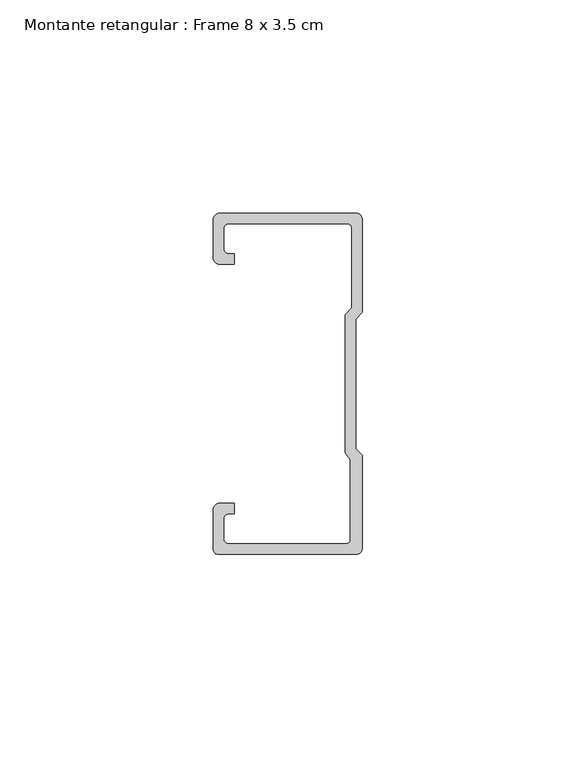
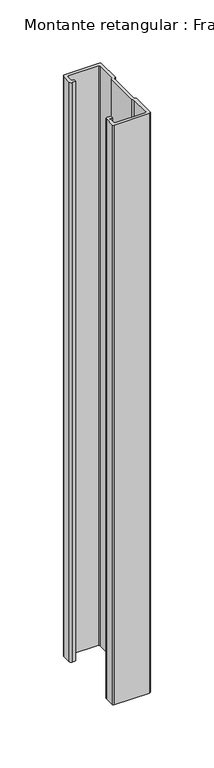
"""IFC4 building model written with IfcOpenShell, lengths in millimetres: member geometry, Montante retangular : Frame 8 x 3.5 cm."""

from ifc_helpers import new_model, si_unit, point, frame, frame_2d, origin, place, context, project, spatial, polyline, circle_curve, trimmed, segment, composite_curve, outline, extrude, source, transform, mapped, element, save


def montante_retangular_frame_8_x_3_5_cm_383be44c(model_context):
    return source(origin(), model_context, "Body", "SweptSolid", [
        extrude(outline(composite_curve([segment(polyline([(-35.0, 29.5276505), (-35.0, 38.5)]), True, "CONTINUOUS"), segment(trimmed(circle_curve(frame_2d((-33.5, 38.5)), 1.5), [point((-35.0, 38.5))], [point((-33.5, 40.0))], False, "CARTESIAN"), True, "CONTINUOUS"), segment(polyline([(-33.5, 40.0), (-1.5, 40.0)]), True, "CONTINUOUS"), segment(trimmed(circle_curve(frame_2d((-1.5, 38.5)), 1.5), [point((-1.5, 40.0))], [point((0.0, 38.5))], False, "CARTESIAN"), True, "CONTINUOUS"), segment(polyline([(0.0, 38.5), (0.0, 16.7622662), (-1.5877131, 15.174553), (-1.5877131, -15.174553), (0.0, -16.7622662), (0.0, -38.5)]), True, "CONTINUOUS"), segment(trimmed(circle_curve(frame_2d((-1.5, -38.5)), 1.5), [point((0.0, -38.5))], [point((-1.5, -40.0))], False, "CARTESIAN"), True, "CONTINUOUS"), segment(polyline([(-1.5, -40.0), (-33.8171833, -40.0)]), True, "CONTINUOUS"), segment(trimmed(circle_curve(frame_2d((-33.8171833, -38.8171833)), 1.1828167), [point((-33.8171833, -40.0))], [point((-35.0, -38.8171833))], False, "CARTESIAN"), True, "CONTINUOUS"), segment(polyline([(-35.0, -38.8171833), (-35.0, -29.5276505)]), True, "CONTINUOUS"), segment(trimmed(circle_curve(frame_2d((-33.5, -29.5276505)), 1.5), [point((-35.0, -29.5276505))], [point((-33.5, -28.0276505))], False, "CARTESIAN"), True, "CONTINUOUS"), segment(polyline([(-33.5, -28.0276505), (-30.0162256, -28.0276505), (-30.0162256, -30.5276505), (-31.5, -30.5276505)]), True, "CONTINUOUS"), segment(trimmed(circle_curve(frame_2d((-31.5, -31.5276505)), 1.0), [point((-31.5, -30.5276505))], [point((-32.5, -31.5276505))], True, "CARTESIAN"), True, "CONTINUOUS"), segment(polyline([(-32.5, -31.5276505), (-32.5, -36.5)]), True, "CONTINUOUS"), segment(trimmed(circle_curve(frame_2d((-31.5, -36.5)), 1.0), [point((-32.5, -36.5))], [point((-31.5, -37.5))], True, "CARTESIAN"), True, "CONTINUOUS"), segment(polyline([(-31.5, -37.5), (-3.807214, -37.5)]), True, "CONTINUOUS"), segment(trimmed(circle_curve(frame_2d((-3.807214, -36.5)), 1.0), [point((-3.807214, -37.5))], [point((-2.807214, -36.5))], True, "CARTESIAN"), True, "CONTINUOUS"), segment(polyline([(-2.807214, -36.5), (-2.807214, -17.7671948), (-4.0877131, -16.1794816), (-4.0877131, 16.2100869), (-2.5, 17.7978001), (-2.5, 36.5)]), True, "CONTINUOUS"), segment(trimmed(circle_curve(frame_2d((-3.5, 36.5)), 1.0), [point((-2.5, 36.5))], [point((-3.5, 37.5))], True, "CARTESIAN"), True, "CONTINUOUS"), segment(polyline([(-3.5, 37.5), (-31.5, 37.5)]), True, "CONTINUOUS"), segment(trimmed(circle_curve(frame_2d((-31.5, 36.5)), 1.0), [point((-31.5, 37.5))], [point((-32.5, 36.5))], True, "CARTESIAN"), True, "CONTINUOUS"), segment(polyline([(-32.5, 36.5), (-32.5, 31.5276505)]), True, "CONTINUOUS"), segment(trimmed(circle_curve(frame_2d((-31.5, 31.5276505)), 1.0), [point((-32.5, 31.5276505))], [point((-31.5, 30.5276505))], True, "CARTESIAN"), True, "CONTINUOUS"), segment(polyline([(-31.5, 30.5276505), (-30.0162256, 30.5276505), (-30.0162256, 28.0276505), (-33.5, 28.0276505)]), True, "CONTINUOUS"), segment(trimmed(circle_curve(frame_2d((-33.5, 29.5276505)), 1.5), [point((-33.5, 28.0276505))], [point((-35.0, 29.5276505))], False, "CARTESIAN"), True, "CONTINUOUS")], self_intersect=False)), frame((0.0, 0.0, -562.5), z_axis=(0.0, 0.0, 1.0), x_axis=(1.0, 0.0, 0.0)), (0.0, 0.0, 1.0), 562.5),
    ])


if __name__ == "__main__":
    model = new_model("IFC4")
    model_context = context("Model", 3, world=origin())
    ifc_project = project(units=[si_unit("LENGTHUNIT", "METRE", prefix="MILLI")], contexts=[model_context])
    site = spatial("IfcSite", under=ifc_project)
    building = spatial("IfcBuilding", under=site)
    placement = place(None, origin())
    montante_retangular_frame_8_x_3_5_cm_shape = montante_retangular_frame_8_x_3_5_cm_383be44c(model_context)
    element("IfcMember", 1, ObjectType="Montante retangular : Frame 8 x 3.5 cm", at=placement, inside=building, context=model_context, shape_type="MappedRepresentation", body=[
        mapped(montante_retangular_frame_8_x_3_5_cm_shape, transform((0.0, 0.0, 0.0), x_axis=(1.0, 0.0, 0.0), y_axis=(0.0, 1.0, 0.0), z_axis=(0.0, 0.0, 1.0))),
    ])
    save(model, "model.ifc")
